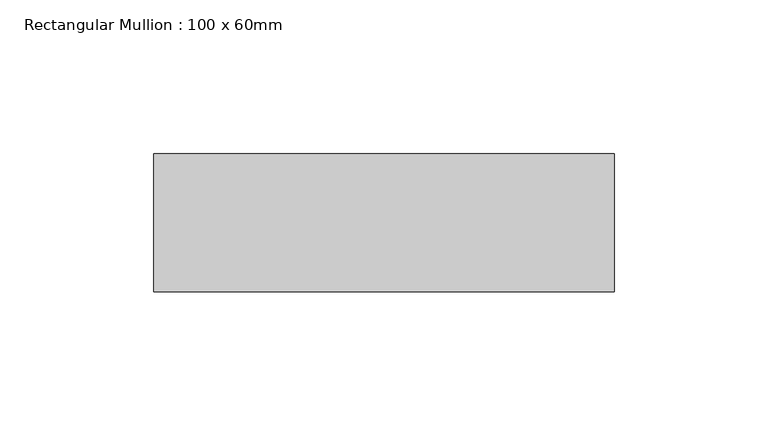
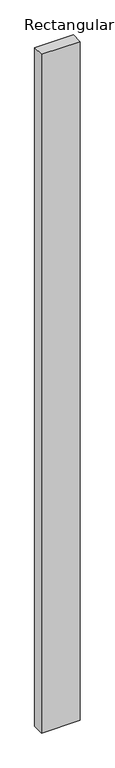
"""IFC4 building model written with IfcOpenShell, lengths in millimetres: member geometry, Rectangular Mullion : 100 x 60mm."""

from ifc_helpers import new_model, si_unit, frame, origin, place, context, project, spatial, polyline, outline, extrude, source, transform, mapped, element, save


def rectangular_mullion_100_x_60mm_abff949f(model_context):
    return source(origin(), model_context, "Body", "SweptSolid", [
        extrude(outline(polyline([(-150.0, 30.0), (0.0, 30.0), (0.0, -15.0), (-150.0, -15.0), (-150.0, 30.0)])), frame((0.0, 0.0, -2776.9853924), z_axis=(0.0, 0.0, 1.0), x_axis=(1.0, 0.0, 0.0)), (0.0, 0.0, 1.0), 2776.9853924),
    ])


if __name__ == "__main__":
    model = new_model("IFC4")
    model_context = context("Model", 3, world=origin())
    ifc_project = project(units=[si_unit("LENGTHUNIT", "METRE", prefix="MILLI")], contexts=[model_context])
    site = spatial("IfcSite", under=ifc_project)
    building = spatial("IfcBuilding", under=site)
    placement = place(None, origin())
    rectangular_mullion_100_x_60mm_shape = rectangular_mullion_100_x_60mm_abff949f(model_context)
    element("IfcMember", 1, ObjectType="Rectangular Mullion : 100 x 60mm", at=placement, inside=building, context=model_context, shape_type="MappedRepresentation", body=[
        mapped(rectangular_mullion_100_x_60mm_shape, transform((0.0, 0.0, 0.0), x_axis=(1.0, 0.0, 0.0), y_axis=(0.0, 1.0, 0.0), z_axis=(0.0, 0.0, 1.0))),
    ])
    save(model, "model.ifc")
